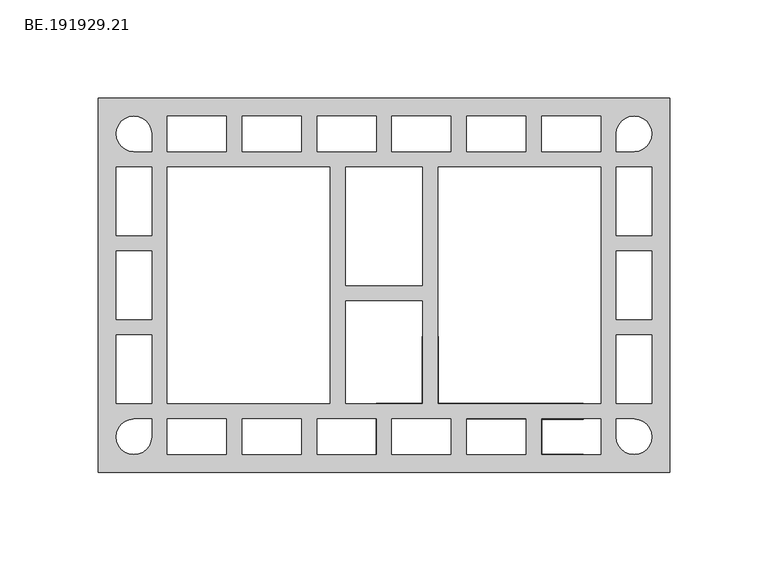
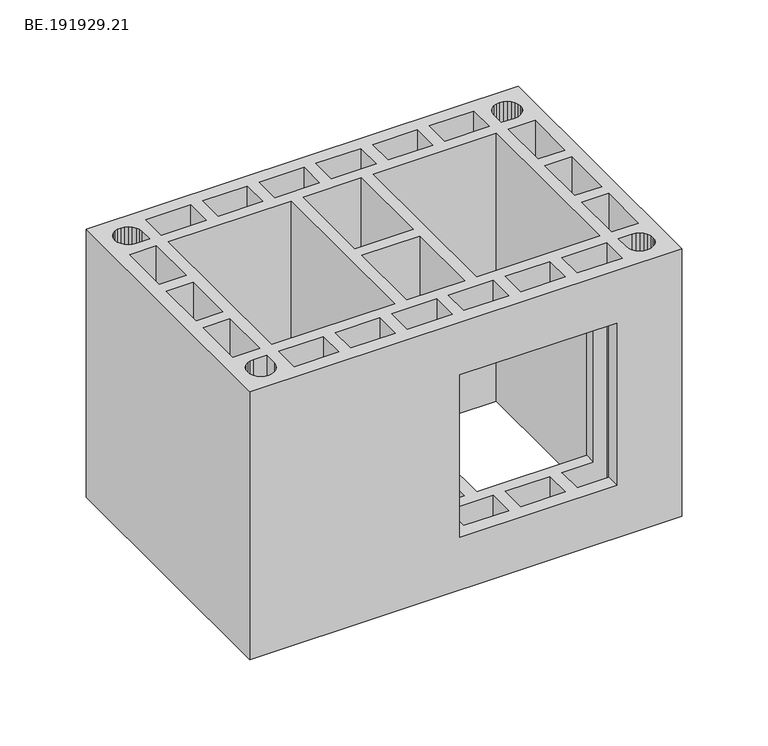
"""IFC4 building model written with IfcOpenShell, lengths in millimetres: proxy geometry, BE.191929.21."""

from ifc_helpers import new_model, si_unit, origin, place, context, project, spatial, faceted_brep, source, transform, mapped, element, save


def be_191929_21_677e5db7(model_context):
    return source(origin(), model_context, "Body", "Brep", [
        faceted_brep([(295.0, 95.0050293, 190.0), (5.0, 95.0050293, 190.0), (5.0, -95.0050293, 190.0), (295.0, -95.0050293, 190.0), (29.352002, 83.3592285, 190.0), (30.7844727, 81.498877, 190.0), (31.6774414, 79.3408691, 190.0), (31.9937012, 76.9968262, 190.0), (31.9937012, 68.0113281, 190.0), (22.9895996, 68.0113281, 190.0), (20.6641602, 68.3089844, 190.0), (18.4875488, 69.2019531, 190.0), (16.6271973, 70.6344238, 190.0), (15.1947266, 72.4947754, 190.0), (14.3017578, 74.6713867, 190.0), (13.985498, 76.9968262, 190.0), (14.3017578, 79.3408691, 190.0), (15.1947266, 81.498877, 190.0), (16.6271973, 83.3592285, 190.0), (18.4875488, 84.7916992, 190.0), (20.6641602, 85.7032715, 190.0), (22.9895996, 86.0009277, 190.0), (25.3150391, 85.7032715, 190.0), (27.4916504, 84.7916992, 190.0), (70.0006836, 86.0009277, 190.0), (70.0006836, 68.0113281, 190.0), (39.9932129, 68.0113281, 190.0), (39.9932129, 86.0009277, 190.0), (107.9890625, 86.0009277, 190.0), (107.9890625, 68.0113281, 190.0), (78.0001953, 68.0113281, 190.0), (78.0001953, 86.0009277, 190.0), (145.9960449, 86.0009277, 190.0), (145.9960449, 68.0051514, 190.0), (115.9885742, 68.0051514, 190.0), (115.9885742, 86.0009277, 190.0), (169.4922852, 60.0056396, 190.0), (169.4922852, 0.0, 190.0), (130.4993164, 0.0, 190.0), (130.4993164, 60.0056396, 190.0), (130.4993164, -59.9870361, 190.0), (130.4993164, -7.99021, 190.0), (169.4922852, -7.99021, 190.0), (169.4922852, -59.9870361, 190.0), (184.0030273, 68.0051514, 190.0), (153.9955566, 68.0051514, 190.0), (153.9955566, 86.0009277, 190.0), (184.0030273, 86.0009277, 190.0), (192.0025391, 86.0009277, 190.0), (221.9914063, 86.0009277, 190.0), (221.9914063, 68.0113281, 190.0), (192.0025391, 68.0113281, 190.0), (259.9983887, 86.0009277, 190.0), (259.9983887, 68.0113281, 190.0), (229.990918, 68.0113281, 190.0), (229.990918, 86.0009277, 190.0), (269.1885254, 81.498877, 190.0), (270.6209961, 83.3592285, 190.0), (272.4999512, 84.7916992, 190.0), (274.657959, 85.7032715, 190.0), (276.9833984, 86.0009277, 190.0), (279.3274414, 85.7032715, 190.0), (281.4854492, 84.7916992, 190.0), (283.3458008, 83.3592285, 190.0), (284.7782715, 81.498877, 190.0), (285.6898438, 79.3408691, 190.0), (285.9875, 76.9968262, 190.0), (285.6898438, 74.6713867, 190.0), (284.7782715, 72.4947754, 190.0), (283.3458008, 70.6344238, 190.0), (281.4854492, 69.2019531, 190.0), (279.3274414, 68.3089844, 190.0), (276.9833984, 68.0113281, 190.0), (267.9979004, 68.0113281, 190.0), (267.9979004, 76.9968262, 190.0), (268.2955566, 79.3408691, 190.0), (122.4998047, 60.0118164, 190.0), (122.4998047, -59.9932129, 190.0), (39.9932129, -59.9932129, 190.0), (39.9932129, 60.0118164, 190.0), (259.9983887, 60.0118164, 190.0), (259.9983887, -59.9932129, 190.0), (177.4917969, -59.9932129, 190.0), (177.4917969, 60.0118164, 190.0), (267.9979004, 60.0118164, 190.0), (285.9875, 60.0118164, 190.0), (285.9875, 25.34729, 190.0), (267.9979004, 25.34729, 190.0), (29.352002, -83.3592285, 190.0), (27.4916504, -84.7916992, 190.0), (25.3150391, -85.7032715, 190.0), (22.9895996, -86.0009277, 190.0), (20.6641602, -85.7032715, 190.0), (18.4875488, -84.7916992, 190.0), (16.6271973, -83.3592285, 190.0), (15.1947266, -81.498877, 190.0), (14.3017578, -79.3408691, 190.0), (13.985498, -76.9968262, 190.0), (14.3017578, -74.6713867, 190.0), (15.1947266, -72.4947754, 190.0), (16.6271973, -70.6344238, 190.0), (18.4875488, -69.2019531, 190.0), (20.6641602, -68.3089844, 190.0), (22.9895996, -68.0113281, 190.0), (31.9937012, -68.0113281, 190.0), (31.9937012, -76.9968262, 190.0), (31.6774414, -79.3408691, 190.0), (30.7844727, -81.498877, 190.0), (70.0006836, -86.0009277, 190.0), (39.9932129, -86.0009277, 190.0), (39.9932129, -68.0113281, 190.0), (70.0006836, -68.0113281, 190.0), (107.9890625, -86.0009277, 190.0), (78.0001953, -86.0009277, 190.0), (78.0001953, -68.0113281, 190.0), (107.9890625, -68.0113281, 190.0), (145.9960449, -86.0009277, 190.0), (115.9885742, -86.0009277, 190.0), (115.9885742, -67.9865479, 190.0), (145.9960449, -67.9865479, 190.0), (184.0030273, -67.9865479, 190.0), (184.0030273, -86.0009277, 190.0), (153.9955566, -86.0009277, 190.0), (153.9955566, -67.9865479, 190.0), (192.0025391, -86.0009277, 190.0), (192.0025391, -68.0113281, 190.0), (221.9914063, -68.0113281, 190.0), (221.9914063, -86.0009277, 190.0), (259.9983887, -86.0009277, 190.0), (229.990918, -86.0009277, 190.0), (229.990918, -68.0113281, 190.0), (259.9983887, -68.0113281, 190.0), (269.1885254, -81.498877, 190.0), (268.2955566, -79.3408691, 190.0), (267.9979004, -76.9968262, 190.0), (267.9979004, -68.0113281, 190.0), (276.9833984, -68.0113281, 190.0), (279.3274414, -68.3089844, 190.0), (281.4854492, -69.2019531, 190.0), (283.3458008, -70.6344238, 190.0), (284.7782715, -72.4947754, 190.0), (285.6898438, -74.6713867, 190.0), (285.9875, -76.9968262, 190.0), (285.6898438, -79.3408691, 190.0), (284.7782715, -81.498877, 190.0), (283.3458008, -83.3592285, 190.0), (281.4854492, -84.7916992, 190.0), (279.3274414, -85.7032715, 190.0), (276.9833984, -86.0009277, 190.0), (274.657959, -85.7032715, 190.0), (272.4999512, -84.7916992, 190.0), (270.6209961, -83.3592285, 190.0), (267.9979004, -60.0118164, 190.0), (267.9979004, -25.3286865, 190.0), (285.9875, -25.3286865, 190.0), (285.9875, -60.0118164, 190.0), (32.0020996, 60.0118164, 190.0), (32.0020996, 25.34729, 190.0), (14.0125, 25.34729, 190.0), (14.0125, 60.0118164, 190.0), (32.0020996, -60.0118164, 190.0), (14.0125, -60.0118164, 190.0), (14.0125, -25.3286865, 190.0), (32.0020996, -25.3286865, 190.0), (14.0125, 17.3477783, 190.0), (31.9937012, 17.3477783, 190.0), (31.9937012, -17.3291748, 190.0), (14.0125, -17.3291748, 190.0), (267.9979004, 17.3477783, 190.0), (285.9875, 17.3477783, 190.0), (285.9875, -17.3291748, 190.0), (267.9979004, -17.3291748, 190.0), (295.0, 95.0050293, 0.0), (295.0, -95.0050293, 0.0), (5.0, -95.0050293, 0.0), (5.0, 95.0050293, 0.0), (29.352002, 83.3592285, 0.0), (27.4916504, 84.7916992, 0.0), (25.3150391, 85.7032715, 0.0), (22.9895996, 86.0009277, 0.0), (20.6641602, 85.7032715, 0.0), (18.4875488, 84.7916992, 0.0), (16.6271973, 83.3592285, 0.0), (15.1947266, 81.498877, 0.0), (14.3017578, 79.3408691, 0.0), (13.985498, 76.9968262, 0.0), (14.3017578, 74.6713867, 0.0), (15.1947266, 72.4947754, 0.0), (16.6271973, 70.6344238, 0.0), (18.4875488, 69.2019531, 0.0), (20.6641602, 68.3089844, 0.0), (22.9895996, 68.0113281, 0.0), (31.9937012, 68.0113281, 0.0), (31.9937012, 76.9968262, 0.0), (31.6774414, 79.3408691, 0.0), (30.7844727, 81.498877, 0.0), (70.0006836, 86.0009277, 0.0), (39.9932129, 86.0009277, 0.0), (39.9932129, 68.0113281, 0.0), (70.0006836, 68.0113281, 0.0), (107.9890625, 86.0009277, 0.0), (78.0001953, 86.0009277, 0.0), (78.0001953, 68.0113281, 0.0), (107.9890625, 68.0113281, 0.0), (145.9960449, 86.0009277, 0.0), (115.9885742, 86.0009277, 0.0), (115.9885742, 68.0051514, 0.0), (145.9960449, 68.0051514, 0.0), (169.4922852, 60.0056396, 0.0), (130.4993164, 60.0056396, 0.0), (130.4993164, 0.0, 0.0), (169.4922852, 0.0, 0.0), (130.4993164, -59.9870361, 0.0), (169.4922852, -59.9870361, 0.0), (169.4922852, -7.99021, 0.0), (130.4993164, -7.99021, 0.0), (184.0030273, 68.0051514, 0.0), (184.0030273, 86.0009277, 0.0), (153.9955566, 86.0009277, 0.0), (153.9955566, 68.0051514, 0.0), (192.0025391, 86.0009277, 0.0), (192.0025391, 68.0113281, 0.0), (221.9914063, 68.0113281, 0.0), (221.9914063, 86.0009277, 0.0), (259.9983887, 86.0009277, 0.0), (229.990918, 86.0009277, 0.0), (229.990918, 68.0113281, 0.0), (259.9983887, 68.0113281, 0.0), (269.1885254, 81.498877, 0.0), (268.2955566, 79.3408691, 0.0), (267.9979004, 76.9968262, 0.0), (267.9979004, 68.0113281, 0.0), (276.9833984, 68.0113281, 0.0), (279.3274414, 68.3089844, 0.0), (281.4854492, 69.2019531, 0.0), (283.3458008, 70.6344238, 0.0), (284.7782715, 72.4947754, 0.0), (285.6898438, 74.6713867, 0.0), (285.9875, 76.9968262, 0.0), (285.6898438, 79.3408691, 0.0), (284.7782715, 81.498877, 0.0), (283.3458008, 83.3592285, 0.0), (281.4854492, 84.7916992, 0.0), (279.3274414, 85.7032715, 0.0), (276.9833984, 86.0009277, 0.0), (274.657959, 85.7032715, 0.0), (272.4999512, 84.7916992, 0.0), (270.6209961, 83.3592285, 0.0), (122.4998047, 60.0118164, 0.0), (39.9932129, 60.0118164, 0.0), (39.9932129, -59.9932129, 0.0), (122.4998047, -59.9932129, 0.0), (259.9983887, 60.0118164, 0.0), (177.4917969, 60.0118164, 0.0), (177.4917969, -59.9932129, 0.0), (259.9983887, -59.9932129, 0.0), (267.9979004, 60.0118164, 0.0), (267.9979004, 25.34729, 0.0), (285.9875, 25.34729, 0.0), (285.9875, 60.0118164, 0.0), (29.352002, -83.3592285, 0.0), (30.7844727, -81.498877, 0.0), (31.6774414, -79.3408691, 0.0), (31.9937012, -76.9968262, 0.0), (31.9937012, -68.0113281, 0.0), (22.9895996, -68.0113281, 0.0), (20.6641602, -68.3089844, 0.0), (18.4875488, -69.2019531, 0.0), (16.6271973, -70.6344238, 0.0), (15.1947266, -72.4947754, 0.0), (14.3017578, -74.6713867, 0.0), (13.985498, -76.9968262, 0.0), (14.3017578, -79.3408691, 0.0), (15.1947266, -81.498877, 0.0), (16.6271973, -83.3592285, 0.0), (18.4875488, -84.7916992, 0.0), (20.6641602, -85.7032715, 0.0), (22.9895996, -86.0009277, 0.0), (25.3150391, -85.7032715, 0.0), (27.4916504, -84.7916992, 0.0), (70.0006836, -86.0009277, 0.0), (70.0006836, -68.0113281, 0.0), (39.9932129, -68.0113281, 0.0), (39.9932129, -86.0009277, 0.0), (107.9890625, -86.0009277, 0.0), (107.9890625, -68.0113281, 0.0), (78.0001953, -68.0113281, 0.0), (78.0001953, -86.0009277, 0.0), (145.9960449, -86.0009277, 0.0), (145.9960449, -67.9865479, 0.0), (115.9885742, -67.9865479, 0.0), (115.9885742, -86.0009277, 0.0), (184.0030273, -67.9865479, 0.0), (153.9955566, -67.9865479, 0.0), (153.9955566, -86.0009277, 0.0), (184.0030273, -86.0009277, 0.0), (192.0025391, -86.0009277, 0.0), (221.9914063, -86.0009277, 0.0), (221.9914063, -68.0113281, 0.0), (192.0025391, -68.0113281, 0.0), (259.9983887, -86.0009277, 0.0), (259.9983887, -68.0113281, 0.0), (229.990918, -68.0113281, 0.0), (229.990918, -86.0009277, 0.0), (269.1885254, -81.498877, 0.0), (270.6209961, -83.3592285, 0.0), (272.4999512, -84.7916992, 0.0), (274.657959, -85.7032715, 0.0), (276.9833984, -86.0009277, 0.0), (279.3274414, -85.7032715, 0.0), (281.4854492, -84.7916992, 0.0), (283.3458008, -83.3592285, 0.0), (284.7782715, -81.498877, 0.0), (285.6898438, -79.3408691, 0.0), (285.9875, -76.9968262, 0.0), (285.6898438, -74.6713867, 0.0), (284.7782715, -72.4947754, 0.0), (283.3458008, -70.6344238, 0.0), (281.4854492, -69.2019531, 0.0), (279.3274414, -68.3089844, 0.0), (276.9833984, -68.0113281, 0.0), (267.9979004, -68.0113281, 0.0), (267.9979004, -76.9968262, 0.0), (268.2955566, -79.3408691, 0.0), (267.9979004, -60.0118164, 0.0), (285.9875, -60.0118164, 0.0), (285.9875, -25.3286865, 0.0), (267.9979004, -25.3286865, 0.0), (32.0020996, 60.0118164, 0.0), (14.0125, 60.0118164, 0.0), (14.0125, 25.34729, 0.0), (32.0020996, 25.34729, 0.0), (32.0020996, -60.0118164, 0.0), (32.0020996, -25.3286865, 0.0), (14.0125, -25.3286865, 0.0), (14.0125, -60.0118164, 0.0), (14.0125, 17.3477783, 0.0), (14.0125, -17.3291748, 0.0), (31.9937012, -17.3291748, 0.0), (31.9937012, 17.3477783, 0.0), (267.9979004, 17.3477783, 0.0), (267.9979004, -17.3291748, 0.0), (285.9875, -17.3291748, 0.0), (285.9875, 17.3477783, 0.0), (145.9960449, -95.0050293, 152.5), (251.2547363, -95.0050293, 152.5), (251.2547363, -95.0050293, 37.5), (145.9960449, -95.0050293, 37.5), (169.4922852, -59.9870361, 152.5), (145.9960449, -59.9870361, 152.5), (145.9960449, -59.9870361, 37.5), (169.4922852, -59.9870361, 37.5), (177.4917969, -59.9932129, 37.5), (251.2547363, -59.9932129, 37.5), (251.2547363, -59.9932129, 152.5), (177.4917969, -59.9932129, 152.5), (177.4917969, -26.0077148, 152.5), (177.4917969, -26.0077148, 37.5), (145.9960449, -86.0009277, 152.5), (145.9960449, -86.0009277, 37.5), (145.9960449, -67.9865479, 37.5), (145.9960449, -67.9865479, 152.5), (184.0030273, -67.9865479, 152.5), (184.0030273, -86.0009277, 152.5), (184.0030273, -86.0009277, 37.5), (184.0030273, -67.9865479, 37.5), (153.9955566, -86.0009277, 152.5), (153.9955566, -86.0009277, 37.5), (153.9955566, -67.9865479, 152.5), (153.9955566, -67.9865479, 37.5), (192.0025391, -86.0009277, 152.5), (192.0025391, -68.0113281, 152.5), (192.0025391, -68.0113281, 37.5), (192.0025391, -86.0009277, 37.5), (221.9914063, -68.0113281, 152.5), (221.9914063, -68.0113281, 37.5), (221.9914063, -86.0009277, 152.5), (221.9914063, -86.0009277, 37.5), (229.990918, -86.0009277, 37.5), (251.2547363, -86.0009277, 37.5), (251.2547363, -86.0009277, 152.5), (229.990918, -86.0009277, 152.5), (229.990918, -68.0113281, 152.5), (229.990918, -68.0113281, 37.5), (251.2547363, -68.0113281, 152.5), (251.2547363, -68.0113281, 37.5), (169.4922852, -26.0077148, 152.5), (169.4922852, -26.0077148, 37.5)], [[[0, 1, 2, 3], [4, 5, 6, 7, 8, 9, 10, 11, 12, 13, 14, 15, 16, 17, 18, 19, 20, 21, 22, 23], [24, 25, 26, 27], [28, 29, 30, 31], [32, 33, 34, 35], [36, 37, 38, 39], [40, 41, 42, 43], [44, 45, 46, 47], [48, 49, 50, 51], [52, 53, 54, 55], [56, 57, 58, 59, 60, 61, 62, 63, 64, 65, 66, 67, 68, 69, 70, 71, 72, 73, 74, 75], [76, 77, 78, 79], [80, 81, 82, 83], [84, 85, 86, 87], [88, 89, 90, 91, 92, 93, 94, 95, 96, 97, 98, 99, 100, 101, 102, 103, 104, 105, 106, 107], [108, 109, 110, 111], [112, 113, 114, 115], [116, 117, 118, 119], [120, 121, 122, 123], [124, 125, 126, 127], [128, 129, 130, 131], [132, 133, 134, 135, 136, 137, 138, 139, 140, 141, 142, 143, 144, 145, 146, 147, 148, 149, 150, 151], [152, 153, 154, 155], [156, 157, 158, 159], [160, 161, 162, 163], [164, 165, 166, 167], [168, 169, 170, 171]], [[172, 173, 174, 175], [176, 177, 178, 179, 180, 181, 182, 183, 184, 185, 186, 187, 188, 189, 190, 191, 192, 193, 194, 195], [196, 197, 198, 199], [200, 201, 202, 203], [204, 205, 206, 207], [208, 209, 210, 211], [212, 213, 214, 215], [216, 217, 218, 219], [220, 221, 222, 223], [224, 225, 226, 227], [228, 229, 230, 231, 232, 233, 234, 235, 236, 237, 238, 239, 240, 241, 242, 243, 244, 245, 246, 247], [248, 249, 250, 251], [252, 253, 254, 255], [256, 257, 258, 259], [260, 261, 262, 263, 264, 265, 266, 267, 268, 269, 270, 271, 272, 273, 274, 275, 276, 277, 278, 279], [280, 281, 282, 283], [284, 285, 286, 287], [288, 289, 290, 291], [292, 293, 294, 295], [296, 297, 298, 299], [300, 301, 302, 303], [304, 305, 306, 307, 308, 309, 310, 311, 312, 313, 314, 315, 316, 317, 318, 319, 320, 321, 322, 323], [324, 325, 326, 327], [328, 329, 330, 331], [332, 333, 334, 335], [336, 337, 338, 339], [340, 341, 342, 343]], [[1, 0, 172, 175]], [[2, 1, 175, 174]], [[3, 2, 174, 173], [344, 345, 346, 347]], [[0, 3, 173, 172]], [[5, 4, 176, 195]], [[6, 5, 195, 194]], [[7, 6, 194, 193]], [[8, 7, 193, 192]], [[9, 8, 192, 191]], [[10, 9, 191, 190]], [[11, 10, 190, 189]], [[12, 11, 189, 188]], [[13, 12, 188, 187]], [[14, 13, 187, 186]], [[15, 14, 186, 185]], [[16, 15, 185, 184]], [[17, 16, 184, 183]], [[18, 17, 183, 182]], [[19, 18, 182, 181]], [[20, 19, 181, 180]], [[21, 20, 180, 179]], [[22, 21, 179, 178]], [[23, 22, 178, 177]], [[4, 23, 177, 176]], [[25, 24, 196, 199]], [[26, 25, 199, 198]], [[27, 26, 198, 197]], [[24, 27, 197, 196]], [[29, 28, 200, 203]], [[30, 29, 203, 202]], [[31, 30, 202, 201]], [[28, 31, 201, 200]], [[33, 32, 204, 207]], [[34, 33, 207, 206]], [[35, 34, 206, 205]], [[32, 35, 205, 204]], [[37, 36, 208, 211]], [[40, 43, 348, 349, 350, 351, 213, 212]], [[41, 40, 212, 215]], [[36, 39, 209, 208]], [[45, 44, 216, 219]], [[46, 45, 219, 218]], [[47, 46, 218, 217]], [[44, 47, 217, 216]], [[49, 48, 220, 223]], [[50, 49, 223, 222]], [[51, 50, 222, 221]], [[48, 51, 221, 220]], [[53, 52, 224, 227]], [[54, 53, 227, 226]], [[55, 54, 226, 225]], [[52, 55, 225, 224]], [[57, 56, 228, 247]], [[58, 57, 247, 246]], [[59, 58, 246, 245]], [[60, 59, 245, 244]], [[61, 60, 244, 243]], [[62, 61, 243, 242]], [[63, 62, 242, 241]], [[64, 63, 241, 240]], [[65, 64, 240, 239]], [[66, 65, 239, 238]], [[67, 66, 238, 237]], [[68, 67, 237, 236]], [[69, 68, 236, 235]], [[70, 69, 235, 234]], [[71, 70, 234, 233]], [[72, 71, 233, 232]], [[73, 72, 232, 231]], [[74, 73, 231, 230]], [[75, 74, 230, 229]], [[56, 75, 229, 228]], [[77, 76, 248, 251]], [[78, 77, 251, 250]], [[79, 78, 250, 249]], [[76, 79, 249, 248]], [[81, 80, 252, 255]], [[82, 81, 255, 254, 352, 353, 354, 355]], [[83, 82, 355, 356, 357, 352, 254, 253]], [[80, 83, 253, 252]], [[85, 84, 256, 259]], [[86, 85, 259, 258]], [[87, 86, 258, 257]], [[84, 87, 257, 256]], [[89, 88, 260, 279]], [[90, 89, 279, 278]], [[91, 90, 278, 277]], [[92, 91, 277, 276]], [[93, 92, 276, 275]], [[94, 93, 275, 274]], [[95, 94, 274, 273]], [[96, 95, 273, 272]], [[97, 96, 272, 271]], [[98, 97, 271, 270]], [[99, 98, 270, 269]], [[100, 99, 269, 268]], [[101, 100, 268, 267]], [[102, 101, 267, 266]], [[103, 102, 266, 265]], [[104, 103, 265, 264]], [[105, 104, 264, 263]], [[106, 105, 263, 262]], [[107, 106, 262, 261]], [[88, 107, 261, 260]], [[109, 108, 280, 283]], [[110, 109, 283, 282]], [[111, 110, 282, 281]], [[108, 111, 281, 280]], [[113, 112, 284, 287]], [[114, 113, 287, 286]], [[115, 114, 286, 285]], [[112, 115, 285, 284]], [[117, 116, 358, 359, 288, 291]], [[118, 117, 291, 290]], [[119, 118, 290, 289, 360, 361]], [[116, 119, 361, 358]], [[289, 288, 359, 360]], [[121, 120, 362, 363]], [[292, 295, 364, 365]], [[122, 121, 363, 366]], [[295, 294, 367, 364]], [[123, 122, 366, 368]], [[294, 293, 369, 367]], [[120, 123, 368, 362]], [[293, 292, 365, 369]], [[125, 124, 370, 371]], [[296, 299, 372, 373]], [[126, 125, 371, 374]], [[299, 298, 375, 372]], [[127, 126, 374, 376]], [[298, 297, 377, 375]], [[124, 127, 376, 370]], [[297, 296, 373, 377]], [[129, 128, 300, 303, 378, 379, 380, 381]], [[130, 129, 381, 382]], [[303, 302, 383, 378]], [[131, 130, 382, 384, 385, 383, 302, 301]], [[128, 131, 301, 300]], [[133, 132, 304, 323]], [[134, 133, 323, 322]], [[135, 134, 322, 321]], [[136, 135, 321, 320]], [[137, 136, 320, 319]], [[138, 137, 319, 318]], [[139, 138, 318, 317]], [[140, 139, 317, 316]], [[141, 140, 316, 315]], [[142, 141, 315, 314]], [[143, 142, 314, 313]], [[144, 143, 313, 312]], [[145, 144, 312, 311]], [[146, 145, 311, 310]], [[147, 146, 310, 309]], [[148, 147, 309, 308]], [[149, 148, 308, 307]], [[150, 149, 307, 306]], [[151, 150, 306, 305]], [[132, 151, 305, 304]], [[153, 152, 324, 327]], [[154, 153, 327, 326]], [[155, 154, 326, 325]], [[152, 155, 325, 324]], [[157, 156, 328, 331]], [[158, 157, 331, 330]], [[159, 158, 330, 329]], [[156, 159, 329, 328]], [[161, 160, 332, 335]], [[162, 161, 335, 334]], [[163, 162, 334, 333]], [[160, 163, 333, 332]], [[356, 386, 387, 357]], [[344, 358, 361, 349, 348, 386, 356, 355, 354, 384, 382, 381, 380, 345], [363, 362, 368, 366], [371, 370, 376, 374]], [[358, 344, 347, 359]], [[349, 361, 360, 350]], [[359, 347, 346, 379, 378, 383, 385, 353, 352, 357, 387, 351, 350, 360], [365, 364, 367, 369], [373, 372, 375, 377]], [[384, 354, 353, 385]], [[345, 380, 379, 346]], [[165, 164, 336, 339]], [[166, 165, 339, 338]], [[167, 166, 338, 337]], [[164, 167, 337, 336]], [[169, 168, 340, 343]], [[170, 169, 343, 342]], [[171, 170, 342, 341]], [[168, 171, 341, 340]], [[38, 37, 211, 210]], [[39, 38, 210, 209]], [[42, 41, 215, 214]], [[43, 42, 214, 213, 351, 387, 386, 348]]]),
    ])


if __name__ == "__main__":
    model = new_model("IFC4")
    model_context = context("Model", 3, world=origin())
    ifc_project = project(units=[si_unit("LENGTHUNIT", "METRE", prefix="MILLI")], contexts=[model_context])
    site = spatial("IfcSite", under=ifc_project)
    building = spatial("IfcBuilding", under=site)
    placement = place(None, origin())
    be_191929_21_shape = be_191929_21_677e5db7(model_context)
    element("IfcBuildingElementProxy", 1, Name="BE.191929.21", ObjectType="BE.191929.21", at=placement, inside=building, context=model_context, shape_type="MappedRepresentation", body=[
        mapped(be_191929_21_shape, transform((0.0, 0.0, 0.0), x_axis=(1.0, 0.0, 0.0), y_axis=(0.0, 1.0, 0.0), z_axis=(0.0, 0.0, 1.0))),
    ])
    save(model, "model.ifc")
